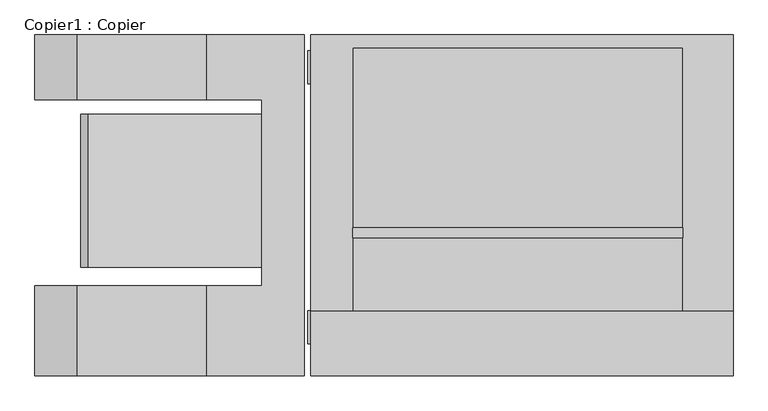
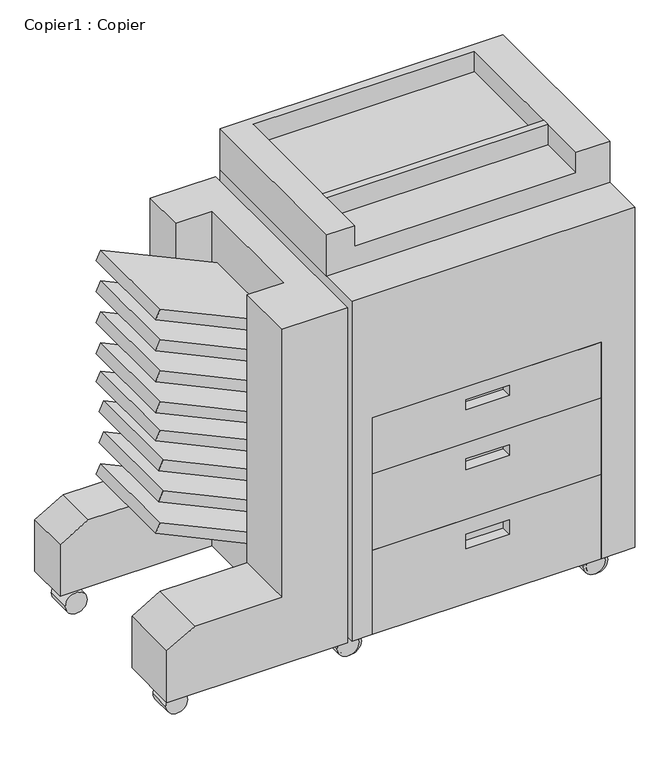
"""IFC4 building model written with IfcOpenShell, lengths in millimetres: proxy geometry, Copier1 : Copier."""

from ifc_helpers import new_model, si_unit, point, frame, frame_2d, origin, place, context, project, spatial, polyline, circle_curve, trimmed, segment, composite_curve, outline, extrude, faceted_brep, source, transform, mapped, element, save


def copier1_copier_a40bf9c1(model_context):
    return source(origin(), model_context, "Body", "SolidModel", [
        extrude(outline(polyline([(387.7567294, -681.6535349), (364.7365116, -692.3880388), (232.9041289, -409.6725817), (260.929928, -409.6725817), (387.7567294, -681.6535349)])), frame((0.0, -72.1685532, 0.0), z_axis=(0.0, 1.0, 0.0), x_axis=(0.0, 0.0, 1.0)), (0.0, 0.0, 1.0), 239.8222339),
        extrude(outline(polyline([(463.6667654, -675.0122673), (440.6465476, -685.7467712), (311.9110388, -409.6725817), (339.9368379, -409.6725817), (463.6667654, -675.0122673)])), frame((0.0, -72.1685532, 0.0), z_axis=(0.0, 1.0, 0.0), x_axis=(0.0, 0.0, 1.0)), (0.0, 0.0, 1.0), 239.8222339),
        extrude(outline(polyline([(539.8667654, -675.0122673), (516.8465476, -685.7467712), (388.1110388, -409.6725817), (416.1368379, -409.6725817), (539.8667654, -675.0122673)])), frame((0.0, -72.1685532, 0.0), z_axis=(0.0, 1.0, 0.0), x_axis=(0.0, 0.0, 1.0)), (0.0, 0.0, 1.0), 239.8222339),
        extrude(outline(polyline([(914.2268014, -681.6535349), (891.2065836, -692.3880388), (759.3742009, -409.6725817), (787.4, -409.6725817), (914.2268014, -681.6535349)])), frame((0.0, -72.1685532, 0.0), z_axis=(0.0, 1.0, 0.0), x_axis=(0.0, 0.0, 1.0)), (0.0, 0.0, 1.0), 239.8222339),
        extrude(outline(polyline([(838.0268014, -681.6535349), (815.0065836, -692.3880388), (683.1742009, -409.6725817), (711.2, -409.6725817), (838.0268014, -681.6535349)])), frame((0.0, -72.1685532, 0.0), z_axis=(0.0, 1.0, 0.0), x_axis=(0.0, 0.0, 1.0)), (0.0, 0.0, 1.0), 239.8222339),
        extrude(outline(polyline([(615.7768014, -681.6535349), (592.7565836, -692.3880388), (460.9242009, -409.6725817), (488.95, -409.6725817), (615.7768014, -681.6535349)])), frame((0.0, -72.1685532, 0.0), z_axis=(0.0, 1.0, 0.0), x_axis=(0.0, 0.0, 1.0)), (0.0, 0.0, 1.0), 239.8222339),
        extrude(outline(polyline([(685.6268014, -681.6535349), (662.6065836, -692.3880388), (530.7742009, -409.6725817), (558.8, -409.6725817), (685.6268014, -681.6535349)])), frame((0.0, -72.1685532, 0.0), z_axis=(0.0, 1.0, 0.0), x_axis=(0.0, 0.0, 1.0)), (0.0, 0.0, 1.0), 239.8222339),
        extrude(outline(polyline([(761.8268014, -681.6535349), (738.8065836, -692.3880388), (606.9742009, -409.6725817), (635.0, -409.6725817), (761.8268014, -681.6535349)])), frame((0.0, -72.1685532, 0.0), z_axis=(0.0, 1.0, 0.0), x_axis=(0.0, 0.0, 1.0)), (0.0, 0.0, 1.0), 239.8222339),
        extrude(outline(composite_curve([segment(trimmed(circle_curve(frame_2d((26.0668925, -711.8709821)), 25.4), [point((26.0668925, -737.2709821))], [point((26.0668925, -686.4709821))], False, "CARTESIAN"), True, "CONTINUOUS"), segment(trimmed(circle_curve(frame_2d((26.0668925, -711.8709821)), 25.4), [point((26.0668925, -686.4709821))], [point((26.0668925, -737.2709821))], False, "CARTESIAN"), True, "CONTINUOUS")], self_intersect=False)), frame((0.0, 215.1689468, 0.0), z_axis=(0.0, 1.0, 0.0), x_axis=(0.0, 0.0, 1.0)), (0.0, 0.0, 1.0), 55.9418879),
        extrude(outline(composite_curve([segment(trimmed(circle_curve(frame_2d((26.0668925, -711.8709821)), 25.4), [point((26.0668925, -737.2709821))], [point((26.0668925, -686.4709821))], False, "CARTESIAN"), True, "CONTINUOUS"), segment(trimmed(circle_curve(frame_2d((26.0668925, -711.8709821)), 25.4), [point((26.0668925, -686.4709821))], [point((26.0668925, -737.2709821))], False, "CARTESIAN"), True, "CONTINUOUS")], self_intersect=False)), frame((0.0, -191.2310532, 0.0), z_axis=(0.0, 1.0, 0.0), x_axis=(0.0, 0.0, 1.0)), (0.0, 0.0, 1.0), 51.3258053),
        faceted_brep([(-764.1654582, -242.0310532, 76.2), (-342.5743224, -242.0310532, 76.2), (-342.5743224, -242.0310532, 901.7), (-494.9743224, -242.0310532, 901.7), (-494.9743224, -242.0310532, 241.3), (-698.1743224, -242.0310532, 241.3), (-764.1654582, -242.0310532, 203.2), (-764.1654582, 291.3689468, 76.2), (-764.1654582, 291.3689468, 203.2), (-698.1743224, 291.3689468, 241.3), (-494.9743224, 291.3689468, 241.3), (-494.9743224, 291.3689468, 901.7), (-342.5743224, 291.3689468, 901.7), (-342.5743224, 291.3689468, 76.2), (-764.1654582, -100.8888364, 76.2), (-409.6725817, -100.8888364, 76.2), (-409.6725817, 189.7689468, 76.2), (-764.1654582, 189.7689468, 76.2), (-494.9743224, 189.7689468, 901.7), (-409.6725817, 189.7689468, 901.7), (-409.6725817, -100.8888364, 901.7), (-494.9743224, -100.8888364, 901.7), (-494.9743224, -100.8888364, 241.3), (-494.9743224, 189.7689468, 241.3), (-698.1743224, -100.8888364, 241.3), (-698.1743224, 189.7689468, 241.3), (-764.1654582, -100.8888364, 203.2), (-764.1654582, 189.7689468, 203.2)], [[[0, 1, 2, 3, 4, 5, 6]], [[7, 8, 9, 10, 11, 12, 13]], [[1, 0, 14, 15, 16, 17, 7, 13]], [[2, 1, 13, 12]], [[3, 2, 12, 11, 18, 19, 20, 21]], [[4, 3, 21, 22]], [[11, 10, 23, 18]], [[5, 4, 22, 24]], [[10, 9, 25, 23]], [[6, 5, 24, 26]], [[9, 8, 27, 25]], [[0, 6, 26, 14]], [[8, 7, 17, 27]], [[16, 19, 18, 23, 25, 27, 17]], [[20, 15, 14, 26, 24, 22, 21]], [[19, 16, 15, 20]]]),
        extrude(outline(composite_curve([segment(trimmed(circle_curve(frame_2d((27.9129458, -312.2555429)), 25.4), [point((27.9129458, -337.6555429))], [point((27.9129458, -286.8555429))], False, "CARTESIAN"), True, "CONTINUOUS"), segment(trimmed(circle_curve(frame_2d((27.9129458, -312.2555429)), 25.4), [point((27.9129458, -286.8555429))], [point((27.9129458, -337.6555429))], False, "CARTESIAN"), True, "CONTINUOUS")], self_intersect=False)), frame((0.0, 215.1689468, 0.0), z_axis=(0.0, 1.0, 0.0), x_axis=(0.0, 0.0, 1.0)), (0.0, 0.0, 1.0), 51.3258053),
        extrude(outline(composite_curve([segment(trimmed(circle_curve(frame_2d((27.9129458, 262.7398948)), 25.4), [point((27.9129458, 237.3398948))], [point((27.9129458, 288.1398948))], False, "CARTESIAN"), True, "CONTINUOUS"), segment(trimmed(circle_curve(frame_2d((27.9129458, 262.7398948)), 25.4), [point((27.9129458, 288.1398948))], [point((27.9129458, 237.3398948))], False, "CARTESIAN"), True, "CONTINUOUS")], self_intersect=False)), frame((0.0, 215.1689468, 0.0), z_axis=(0.0, 1.0, 0.0), x_axis=(0.0, 0.0, 1.0)), (0.0, 0.0, 1.0), 51.3258053),
        extrude(outline(composite_curve([segment(trimmed(circle_curve(frame_2d((27.9129458, -312.2555429)), 25.4), [point((27.9129458, -337.6555429))], [point((27.9129458, -286.8555429))], False, "CARTESIAN"), True, "CONTINUOUS"), segment(trimmed(circle_curve(frame_2d((27.9129458, -312.2555429)), 25.4), [point((27.9129458, -286.8555429))], [point((27.9129458, -337.6555429))], False, "CARTESIAN"), True, "CONTINUOUS")], self_intersect=False)), frame((0.0, -191.2310532, 0.0), z_axis=(0.0, 1.0, 0.0), x_axis=(0.0, 0.0, 1.0)), (0.0, 0.0, 1.0), 51.3258053),
        extrude(outline(composite_curve([segment(trimmed(circle_curve(frame_2d((27.9129458, 262.7398948)), 25.4), [point((27.9129458, 237.3398948))], [point((27.9129458, 288.1398948))], False, "CARTESIAN"), True, "CONTINUOUS"), segment(trimmed(circle_curve(frame_2d((27.9129458, 262.7398948)), 25.4), [point((27.9129458, 288.1398948))], [point((27.9129458, 237.3398948))], False, "CARTESIAN"), True, "CONTINUOUS")], self_intersect=False)), frame((0.0, -191.2310532, 0.0), z_axis=(0.0, 1.0, 0.0), x_axis=(0.0, 0.0, 1.0)), (0.0, 0.0, 1.0), 51.3258053),
        extrude(outline(composite_curve([segment(trimmed(circle_curve(frame_2d((27.9129458, -306.6302391)), 25.4), [point((27.9129458, -332.0302391))], [point((27.9129458, -281.2302391))], False, "CARTESIAN"), True, "CONTINUOUS"), segment(trimmed(circle_curve(frame_2d((27.9129458, -306.6302391)), 25.4), [point((27.9129458, -281.2302391))], [point((27.9129458, -332.0302391))], False, "CARTESIAN"), True, "CONTINUOUS")], self_intersect=False)), frame((0.0, -191.2310532, 0.0), z_axis=(0.0, 1.0, 0.0), x_axis=(0.0, 0.0, 1.0)), (0.0, 0.0, 1.0), 51.3258053),
        extrude(outline(composite_curve([segment(trimmed(circle_curve(frame_2d((27.9129458, 268.3651986)), 25.4), [point((27.9129458, 242.9651986))], [point((27.9129458, 293.7651986))], False, "CARTESIAN"), True, "CONTINUOUS"), segment(trimmed(circle_curve(frame_2d((27.9129458, 268.3651986)), 25.4), [point((27.9129458, 293.7651986))], [point((27.9129458, 242.9651986))], False, "CARTESIAN"), True, "CONTINUOUS")], self_intersect=False)), frame((0.0, -191.2310532, 0.0), z_axis=(0.0, 1.0, 0.0), x_axis=(0.0, 0.0, 1.0)), (0.0, 0.0, 1.0), 51.3258053),
        extrude(outline(polyline([(249.314028, -26.1310532), (-267.2959958, -26.1310532), (-267.2959958, -10.0577181), (249.314028, -10.0577181), (249.314028, -26.1310532)])), frame((0.0, 0.0, 965.2), z_axis=(0.0, 0.0, 1.0), x_axis=(1.0, 0.0, 0.0)), (0.0, 0.0, 1.0), 50.8),
        faceted_brep([(249.314028, -242.0310532, 472.3553727), (249.314028, -242.0310532, 609.6), (-284.085972, -242.0310532, 609.6), (-284.085972, -242.0310532, 472.3553727), (-66.7741493, -242.0310532, 578.8591447), (34.8258507, -242.0310532, 578.8591447), (34.8258507, -242.0310532, 553.4591447), (-66.7741493, -242.0310532, 553.4591447), (249.314028, -191.2310532, 472.3553727), (-284.085972, -191.2310532, 472.3553727), (-284.085972, -191.2310532, 609.6), (249.314028, -191.2310532, 609.6), (34.8258507, -216.6310532, 578.8591447), (-66.7741493, -216.6310532, 578.8591447), (-66.7741493, -216.6310532, 553.4591447), (34.8258507, -216.6310532, 553.4591447)], [[[0, 1, 2, 3], [4, 5, 6, 7]], [[8, 9, 10, 11]], [[1, 0, 8, 11]], [[2, 1, 11, 10]], [[3, 2, 10, 9]], [[0, 3, 9, 8]], [[12, 13, 14, 15]], [[13, 12, 5, 4]], [[14, 13, 4, 7]], [[15, 14, 7, 6]], [[12, 15, 6, 5]]]),
        faceted_brep([(249.314028, -242.0310532, 283.8723489), (249.314028, -242.0310532, 472.3553727), (-284.085972, -242.0310532, 472.3553727), (-284.085972, -242.0310532, 283.8723489), (-66.7741493, -242.0310532, 432.3774172), (34.8258507, -242.0310532, 432.3774172), (34.8258507, -242.0310532, 406.4), (-66.7741493, -242.0310532, 406.4), (249.314028, -191.2310532, 283.8723489), (-284.085972, -191.2310532, 283.8723489), (-284.085972, -191.2310532, 472.3553727), (249.314028, -191.2310532, 472.3553727), (34.8258507, -216.6310532, 432.3774172), (-66.7741493, -216.6310532, 432.3774172), (-66.7741493, -216.6310532, 406.4), (34.8258507, -216.6310532, 406.4)], [[[0, 1, 2, 3], [4, 5, 6, 7]], [[8, 9, 10, 11]], [[1, 0, 8, 11]], [[2, 1, 11, 10]], [[3, 2, 10, 9]], [[0, 3, 9, 8]], [[12, 13, 14, 15]], [[13, 12, 5, 4]], [[14, 13, 4, 7]], [[15, 14, 7, 6]], [[12, 15, 6, 5]]]),
        faceted_brep([(249.314028, -242.0310532, 76.2), (249.314028, -242.0310532, 283.8723489), (-284.085972, -242.0310532, 283.8723489), (-284.085972, -242.0310532, 76.2), (-66.7741493, -242.0310532, 246.5423898), (34.8258507, -242.0310532, 246.5423898), (34.8258507, -242.0310532, 211.1096445), (-66.7741493, -242.0310532, 211.1096445), (249.314028, -191.2310532, 76.2), (-284.085972, -191.2310532, 76.2), (-284.085972, -191.2310532, 283.8723489), (249.314028, -191.2310532, 283.8723489), (34.8258507, -216.6310532, 246.5423898), (-66.7741493, -216.6310532, 246.5423898), (-66.7741493, -216.6310532, 211.1096445), (34.8258507, -216.6310532, 211.1096445)], [[[0, 1, 2, 3], [4, 5, 6, 7]], [[8, 9, 10, 11]], [[1, 0, 8, 11]], [[2, 1, 11, 10]], [[3, 2, 10, 9]], [[0, 3, 9, 8]], [[12, 13, 14, 15]], [[13, 12, 5, 4]], [[14, 13, 4, 7]], [[15, 14, 7, 6]], [[12, 15, 6, 5]]]),
        faceted_brep([(328.0345418, 291.3689468, 1016.0), (-332.3654582, 291.3689468, 1016.0), (-332.3654582, -139.9052479, 1016.0), (-267.2959958, -139.9052479, 1016.0), (-267.2959958, 271.1108348, 1016.0), (249.314028, 271.1108348, 1016.0), (249.314028, -139.9052479, 1016.0), (328.0345418, -139.9052479, 1016.0), (328.0345418, 291.3689468, 914.4), (328.0345418, -139.9052479, 914.4), (-332.3654582, -139.9052479, 914.4), (-332.3654582, 291.3689468, 914.4), (249.314028, -139.9052479, 965.2), (-267.2959958, -139.9052479, 965.2), (249.314028, 271.1108348, 965.2), (-267.2959958, 271.1108348, 965.2)], [[[0, 1, 2, 3, 4, 5, 6, 7]], [[8, 9, 10, 11]], [[1, 0, 8, 11]], [[2, 1, 11, 10]], [[10, 9, 7, 6, 12, 13, 3, 2]], [[0, 7, 9, 8]], [[14, 15, 13, 12]], [[15, 14, 5, 4]], [[13, 15, 4, 3]], [[14, 12, 6, 5]]]),
        faceted_brep([(328.0345418, 291.3689468, 914.4), (-332.3654582, 291.3689468, 914.4), (-332.3654582, -242.0310532, 914.4), (328.0345418, -242.0310532, 914.4), (328.0345418, 291.3689468, 76.2), (328.0345418, -242.0310532, 76.2), (249.314028, -242.0310532, 76.2), (249.314028, -191.2310532, 76.2), (-284.085972, -191.2310532, 76.2), (-284.085972, -242.0310532, 76.2), (-332.3654582, -242.0310532, 76.2), (-332.3654582, 291.3689468, 76.2), (-284.085972, -242.0310532, 609.6), (249.314028, -242.0310532, 609.6), (-284.085972, -191.2310532, 609.6), (249.314028, -191.2310532, 609.6)], [[[0, 1, 2, 3]], [[4, 5, 6, 7, 8, 9, 10, 11]], [[1, 0, 4, 11]], [[2, 1, 11, 10]], [[3, 2, 10, 9, 12, 13, 6, 5]], [[0, 3, 5, 4]], [[14, 8, 7, 15]], [[8, 14, 12, 9]], [[15, 7, 6, 13]], [[14, 15, 13, 12]]]),
    ])


if __name__ == "__main__":
    model = new_model("IFC4")
    model_context = context("Model", 3, world=origin())
    ifc_project = project(units=[si_unit("LENGTHUNIT", "METRE", prefix="MILLI")], contexts=[model_context])
    site = spatial("IfcSite", under=ifc_project)
    building = spatial("IfcBuilding", under=site)
    placement = place(None, origin())
    copier1_copier_shape = copier1_copier_a40bf9c1(model_context)
    element("IfcBuildingElementProxy", 1, Name="Copier1 : Copier", ObjectType="Copier1 : Copier", at=placement, inside=building, context=model_context, shape_type="MappedRepresentation", body=[
        mapped(copier1_copier_shape, transform((0.0, 0.0, 0.0), x_axis=(1.0, 0.0, 0.0), y_axis=(0.0, 1.0, 0.0), z_axis=(0.0, 0.0, 1.0))),
    ])
    save(model, "model.ifc")
